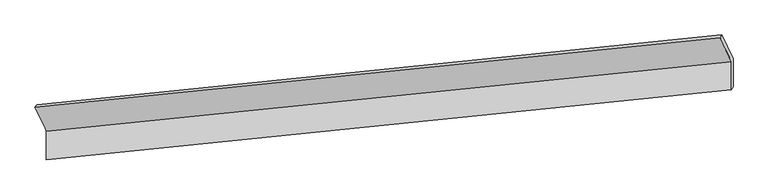
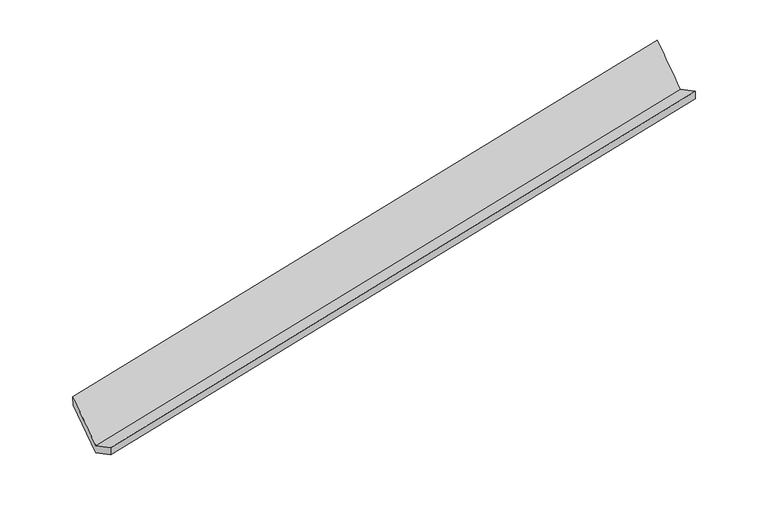
"""IFC4 building model written with IfcOpenShell, lengths in millimetres: proxy geometry."""

from ifc_helpers import new_model, si_unit, frame, origin, place, context, project, spatial, source, transform, mapped, element, save
from ifc_brep_helpers import plane_surface, spline_surface, advanced_brep


def generic_models_1a43cac2(model_context):
    return source(origin(), model_context, "Body", "AdvancedBrep", [
        advanced_brep(
        [(-7633.6111526, -1995.9440782, 779.6641641), (-7633.5379195, -2392.3055004, 985.5022318), (1992.6059123, -1413.7948239, 2862.4425796), (1992.5326791, -1017.4334018, 2656.6045118), (-7608.2288283, -2350.5011237, 834.3472988), (2017.3258043, -1372.0496706, 2711.1738158), (-7608.3020715, -1954.0848174, 628.4807287), (2017.252561, -975.6333643, 2505.3072457), (-7766.5339397, -1623.3283182, 1265.4411591), (1860.5989407, -640.0014467, 3151.6552116), (-7796.1289003, -1656.2286854, 1433.8773493), (1833.7957523, -677.3379797, 3311.5481354)],
        [
            (0, 1),
            (1, 2),
            (2, 3),
            (3, 0),
            (1, 4),
            (4, 5),
            (5, 2),
            (4, 6),
            (6, 7),
            (7, 5),
            (6, 8),
            (8, 9),
            (9, 7),
            (8, 10),
            (10, 11),
            (11, 9),
            (10, 0),
            (3, 11),
        ],
        [
            plane_surface(frame((-7633.5745361, -2194.1247893, 882.5831979), z_axis=(-0.21475903747051248, 0.4500921670092472, 0.8667730943111117), x_axis=(0.00016397096881406369, -0.8874639934730245, 0.4608770263339593))),
            spline_surface(1, 1, [[(-7633.5379195, -2392.3055004, 985.5022318), (1992.6059123, -1413.7948239, 2862.4425796)], [(-7608.2288283, -2350.5011237, 834.3472988), (2017.3258043, -1372.0496706, 2711.1738158)]], [2, 2], [2, 2], [0.0, 1.0], [0.0, 1.0]),
            plane_surface(frame((-7608.2654499, -2152.2929705, 731.4140138), z_axis=(0.21475915781986088, -0.45009215479532116, -0.8667730708346959), x_axis=(-0.0001639709687944225, 0.8874639934730005, -0.46087702633400535))),
            spline_surface(1, 1, [[(-7608.3020715, -1954.0848174, 628.4807287), (2017.252561, -975.6333643, 2505.3072457)], [(-7766.5339397, -1623.3283182, 1265.4411591), (1860.5989407, -640.0014467, 3151.6552116)]], [2, 2], [2, 2], [0.0, 1.0], [0.0, 1.0]),
            spline_surface(1, 1, [[(-7766.5339397, -1623.3283182, 1265.4411591), (1860.5989407, -640.0014467, 3151.6552116)], [(-7796.1289003, -1656.2286854, 1433.8773493), (1833.7957523, -677.3379797, 3311.5481354)]], [2, 2], [2, 2], [0.0, 1.0], [0.0, 1.0]),
            spline_surface(1, 1, [[(-7796.1289003, -1656.2286854, 1433.8773493), (1833.7957523, -677.3379797, 3311.5481354)], [(-7633.6111526, -1995.9440782, 779.6641641), (1992.5326791, -1017.4334018, 2656.6045118)]], [2, 2], [2, 2], [0.0, 1.0], [0.0, 1.0]),
            plane_surface(frame((1952.3519416, -1016.0417812, 2866.45525), z_axis=(0.9776397676895909, 0.09705853395381331, 0.18654791775460627), x_axis=(-0.1611082333877806, -0.2244219153240515, 0.9610821718547029))),
            plane_surface(frame((-7674.3904687, -1995.3987539, 987.8854886), z_axis=(-0.9765489897780785, -0.09936674198853106, -0.1909929871749201), x_axis=(-0.2152952476877647, 0.4500376771731715, 0.8666683595514725))),
        ],
        [
            (0, [[1, 2, 3, 4]]),
            (1, [[5, 6, 7, -2]]),
            (2, [[8, 9, 10, -6]]),
            (3, [[11, 12, 13, -9]]),
            (4, [[14, 15, 16, -12]]),
            (5, [[17, -4, 18, -15]]),
            (6, [[-16, -18, -3, -7, -10, -13]]),
            (7, [[-17, -14, -11, -8, -5, -1]]),
        ],
    ),
    ])


if __name__ == "__main__":
    model = new_model("IFC4")
    model_context = context("Model", 3, world=origin())
    ifc_project = project(units=[si_unit("LENGTHUNIT", "METRE", prefix="MILLI")], contexts=[model_context])
    site = spatial("IfcSite", under=ifc_project)
    building = spatial("IfcBuilding", under=site)
    placement = place(None, origin())
    generic_models_shape = generic_models_1a43cac2(model_context)
    element("IfcBuildingElementProxy", 1, Name="Generic Models", at=placement, inside=building, context=model_context, shape_type="MappedRepresentation", body=[
        mapped(generic_models_shape, transform((0.0, 0.0, 0.0), x_axis=(1.0, 0.0, 0.0), y_axis=(0.0, 1.0, 0.0), z_axis=(0.0, 0.0, 1.0))),
    ])
    save(model, "model.ifc")
